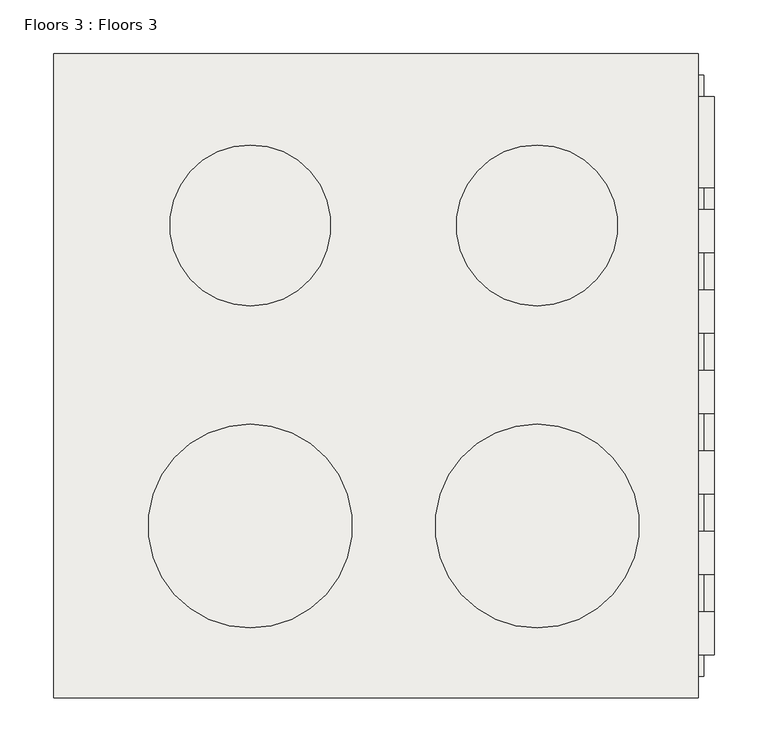
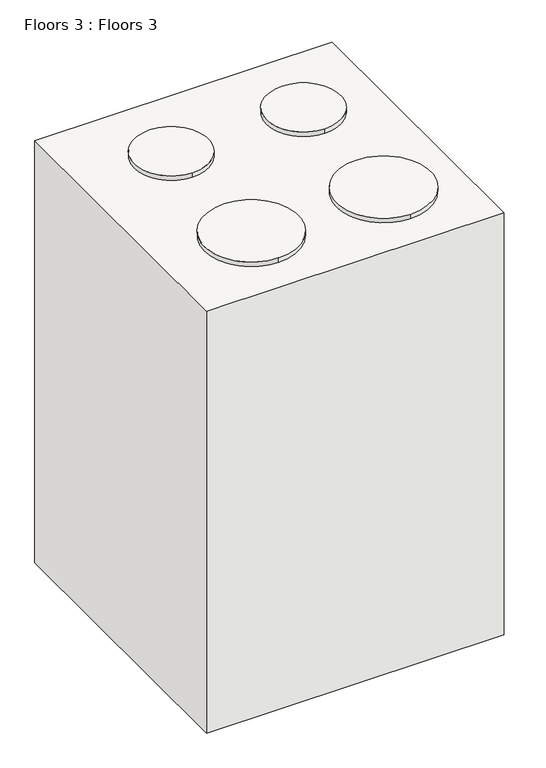
"""IFC4 building model written with IfcOpenShell, lengths in millimetres: slab geometry, Floors 3 : Floors 3."""

import ifcopenshell
import ifcopenshell.guid

model = None  # the IFC model being written
_history = None  # IfcOwnerHistory: only IFC2X3 demands one
_inside = {}  # id of a spatial element -> (the spatial element, [elements in it])
_under = {}  # id of a project, library or spatial element -> (it, [spatial elements below it])
_declared = {}  # id of a project -> (the project, [libraries it declares])
_typed = {}  # id of a type object -> (the type object, [elements of that type])
_made_of = {}  # id of a material, layer set ... -> (it, [elements and type objects made of it])


def new_model(schema):
    """Start an empty IFC model of exactly this schema.

    Asked for "IFC4X3", IfcOpenShell would pick the latest addendum, in which some entities
    have other attributes; the version numbers below select the first issue.
    IFC2X3 requires an IfcOwnerHistory on every rooted entity: one is made here for all.
    """
    global model, _history
    if schema == "IFC4X3":
        model = ifcopenshell.file(schema_version=(4, 3, 0, 0))
    else:
        model = ifcopenshell.file(schema=schema)
    _inside.clear()
    _under.clear()
    _declared.clear()
    _typed.clear()
    _made_of.clear()
    _history = None
    if model.schema == "IFC2X3":
        org = make("IfcOrganization", Name="unknown")
        user = make(
            "IfcPersonAndOrganization",
            ThePerson=make("IfcPerson", FamilyName="unknown"),
            TheOrganization=org,
        )
        app = make(
            "IfcApplication",
            ApplicationDeveloper=org,
            Version="unknown",
            ApplicationFullName="unknown",
            ApplicationIdentifier="unknown",
        )
        _history = make(
            "IfcOwnerHistory",
            OwningUser=user,
            OwningApplication=app,
            ChangeAction="ADDED",
            CreationDate=0,
        )
    return model


def make(cls, **values):
    """One entity of the class cls with the attributes given. An attribute that is None is left unset."""
    return model.create_entity(
        cls, **{name: value for name, value in values.items() if value is not None}
    )


def rooted(cls, **values):
    """An entity with a GlobalId (a new one), such as an element, a storey or a relation."""
    return make(cls, GlobalId=ifcopenshell.guid.new(), OwnerHistory=_history, **values)


def si_unit(unit_type, name, prefix=None):
    """IfcSIUnit, for example si_unit("LENGTHUNIT", "METRE", prefix="MILLI")."""
    return make("IfcSIUnit", UnitType=unit_type, Prefix=prefix, Name=name)


def assignment(units):
    """IfcUnitAssignment: the units of a project."""
    return None if units is None else make("IfcUnitAssignment", Units=units)


def point(xyz):
    """IfcCartesianPoint."""
    return None if xyz is None else make("IfcCartesianPoint", Coordinates=xyz)


def direction(xyz):
    """IfcDirection."""
    return None if xyz is None else make("IfcDirection", DirectionRatios=xyz)


def frame(location, z_axis=None, x_axis=None):
    """IfcAxis2Placement3D, a coordinate frame: its origin and axes. An axis left out is left unset."""
    return make(
        "IfcAxis2Placement3D",
        Location=point(location),
        Axis=direction(z_axis),
        RefDirection=direction(x_axis),
    )


def frame_2d(location, x_axis=None):
    """IfcAxis2Placement2D, a coordinate frame in the plane: its origin and x axis."""
    return make(
        "IfcAxis2Placement2D", Location=point(location), RefDirection=direction(x_axis)
    )


def origin():
    """The frame at (0, 0, 0) with its axes left unset."""
    return frame((0.0, 0.0, 0.0))


def place(relative_to, where):
    """IfcLocalPlacement: puts the frame where relative to a parent placement (None: the world)."""
    return make(
        "IfcLocalPlacement", PlacementRelTo=relative_to, RelativePlacement=where
    )


def context(
    kind, dimensions, precision=None, world=None, true_north=None, identifier=None
):
    """IfcGeometricRepresentationContext, for example the 3D "Model" context."""
    return make(
        "IfcGeometricRepresentationContext",
        ContextIdentifier=identifier,
        ContextType=kind,
        CoordinateSpaceDimension=dimensions,
        Precision=precision,
        WorldCoordinateSystem=world,
        TrueNorth=true_north,
    )


def project(units=None, contexts=None):
    """IfcProject with its units and contexts."""
    return rooted(
        "IfcProject",
        Name="project",
        RepresentationContexts=contexts,
        UnitsInContext=assignment(units),
    )


def spatial(cls, under=None, at=None, **own):
    """A site, building, storey or space (cls), placed at a placement, below another one or the project."""
    s = rooted(cls, ObjectPlacement=at, **own)
    if under is not None:
        _under.setdefault(under.id(), (under, []))[1].append(s)
    return s


def polyline(points):
    """IfcPolyline through the points."""
    return make("IfcPolyline", Points=[point(p) for p in points])


def circle_curve(where, radius):
    """IfcCircle in the frame where."""
    return make("IfcCircle", Position=where, Radius=radius)


def trimmed(basis, trim1, trim2, sense, master):
    """IfcTrimmedCurve: the piece of a basis curve between two trims."""
    return make(
        "IfcTrimmedCurve",
        BasisCurve=basis,
        Trim1=trim1,
        Trim2=trim2,
        SenseAgreement=sense,
        MasterRepresentation=master,
    )


def segment(curve, same_sense, transition):
    """IfcCompositeCurveSegment."""
    return make(
        "IfcCompositeCurveSegment",
        Transition=transition,
        SameSense=same_sense,
        ParentCurve=curve,
    )


def composite_curve(segments, self_intersect=None):
    """IfcCompositeCurve: segments joined end to end."""
    return make("IfcCompositeCurve", Segments=segments, SelfIntersect=self_intersect)


def outline(outer, holes=None, kind="AREA"):
    """IfcArbitraryClosedProfileDef: a profile drawn as a closed curve; with holes, ...WithVoids."""
    if holes is None:
        return make("IfcArbitraryClosedProfileDef", ProfileType=kind, OuterCurve=outer)
    return make(
        "IfcArbitraryProfileDefWithVoids",
        ProfileType=kind,
        OuterCurve=outer,
        InnerCurves=holes,
    )


def extrude(swept, where, along, depth):
    """IfcExtrudedAreaSolid: the profile swept, set in the frame where, extruded along a direction by depth."""
    return make(
        "IfcExtrudedAreaSolid",
        SweptArea=swept,
        Position=where,
        ExtrudedDirection=direction(along),
        Depth=depth,
    )


def faces_of(points, faces, orient=None, outer=None):
    """IfcFace entities. A face is a list of loops; a loop is a list of indices into points, from 0.

    orient and outer hold one flag for each loop. By default every Orientation is true, the
    first loop of a face is its IfcFaceOuterBound and the others are IfcFaceBound.
    """
    made = []
    for i, loops in enumerate(faces):
        bounds = []
        for j, loop in enumerate(loops):
            is_outer = j == 0 if outer is None else outer[i][j]
            bounds.append(
                make(
                    "IfcFaceOuterBound" if is_outer else "IfcFaceBound",
                    Bound=make("IfcPolyLoop", Polygon=[points[k] for k in loop]),
                    Orientation=True if orient is None else orient[i][j],
                )
            )
        made.append(make("IfcFace", Bounds=bounds))
    return made


def faceted_brep(points, faces, orient=None, outer=None, voids=None):
    """IfcFacetedBrep: a solid bounded by flat faces; with voids (closed shells), ...WithVoids."""
    shared = [point(p) for p in points]
    hull = make("IfcClosedShell", CfsFaces=faces_of(shared, faces, orient, outer))
    if voids is None:
        return make("IfcFacetedBrep", Outer=hull)
    return make(
        "IfcFacetedBrepWithVoids",
        Outer=hull,
        Voids=[
            make(cls, CfsFaces=faces_of(shared, fs, o, b)) for cls, fs, o, b in voids
        ],
    )


def shape(context_of_items, identifier, shape_type, items):
    """IfcShapeRepresentation: the items that make up one representation, for example the "Body"."""
    return make(
        "IfcShapeRepresentation",
        ContextOfItems=context_of_items,
        RepresentationIdentifier=identifier,
        RepresentationType=shape_type,
        Items=items,
    )


def source(mapping_origin, context_of_items, identifier, shape_type, items):
    """IfcRepresentationMap: a shape defined once, which mapped items show again and again."""
    return make(
        "IfcRepresentationMap",
        MappingOrigin=mapping_origin,
        MappedRepresentation=shape(context_of_items, identifier, shape_type, items),
    )


def transform(
    local_origin,
    x_axis=None,
    y_axis=None,
    z_axis=None,
    scale=None,
    scale2=None,
    scale3=None,
    uniform=True,
):
    """IfcCartesianTransformationOperator3D, or its non-uniform kind. x_axis, y_axis, z_axis: its Axis1, 2, 3."""
    if uniform:
        return make(
            "IfcCartesianTransformationOperator3D",
            Axis1=direction(x_axis),
            Axis2=direction(y_axis),
            LocalOrigin=point(local_origin),
            Scale=scale,
            Axis3=direction(z_axis),
        )
    return make(
        "IfcCartesianTransformationOperator3DnonUniform",
        Axis1=direction(x_axis),
        Axis2=direction(y_axis),
        LocalOrigin=point(local_origin),
        Scale=scale,
        Axis3=direction(z_axis),
        Scale2=scale2,
        Scale3=scale3,
    )


def mapped(mapping_source, mapping_target):
    """IfcMappedItem: shows the shape of a source again, moved by a transform."""
    return make(
        "IfcMappedItem", MappingSource=mapping_source, MappingTarget=mapping_target
    )


def made_of(thing, what):
    """Note that an element or type object is made of a material, layer set ...; save() writes the relation."""
    if what is not None:
        _made_of.setdefault(what.id(), (what, []))[1].append(thing)
    return thing


def element(
    cls,
    number,
    at=None,
    inside=None,
    cuts=None,
    type_object=None,
    material=None,
    context=None,
    identifier="Body",
    shape_type=None,
    held_by="IfcProductDefinitionShape",
    body=None,
    shapes=None,
    **own,
):
    """One element of the class cls, such as IfcWall. Its Tag is "e" and its number.

    at: its placement. inside: the storey or other place that contains it. cuts: it is an
    opening in that element (IfcRelVoidsElement). A single representation is given by context,
    identifier, shape_type and body (its items); several are given by shapes. held_by: the class
    of the entity that holds the representations. save() writes the other relations.
    """
    e = rooted(cls, Tag="e%d" % number, ObjectPlacement=at, **own)
    if body is not None:
        shapes = [shape(context, identifier, shape_type, body)]
    if shapes is not None:
        e.Representation = make(held_by, Representations=shapes)
    if inside is not None:
        _inside.setdefault(inside.id(), (inside, []))[1].append(e)
    if cuts is not None:
        rooted(
            "IfcRelVoidsElement", RelatingBuildingElement=cuts, RelatedOpeningElement=e
        )
    if type_object is not None:
        _typed.setdefault(type_object.id(), (type_object, []))[1].append(e)
    return made_of(e, material)


def aggregate(whole, parts):
    """IfcRelAggregates: a whole, such as a stair, and the parts it consists of."""
    return rooted("IfcRelAggregates", RelatingObject=whole, RelatedObjects=parts)


def save(model, path):
    """Write the relations noted so far, then the file.

    IfcRelAggregates (storeys below a building ...), IfcRelContainedInSpatialStructure (elements
    in a storey), IfcRelDefinesByType, IfcRelAssociatesMaterial and IfcRelDeclares: one each for
    every whole, place, type object, material and project.
    """
    for whole, parts in _under.values():
        aggregate(whole, parts)
    for where, things in _inside.values():
        rooted(
            "IfcRelContainedInSpatialStructure",
            RelatedElements=things,
            RelatingStructure=where,
        )
    for kind, things in _typed.values():
        rooted("IfcRelDefinesByType", RelatedObjects=things, RelatingType=kind)
    for what, things in _made_of.values():
        rooted("IfcRelAssociatesMaterial", RelatedObjects=things, RelatingMaterial=what)
    for by, libraries in _declared.values():
        rooted("IfcRelDeclares", RelatingContext=by, RelatedDefinitions=libraries)
    model.write(path)


def floors_3_floors_3_e064350d(model_context):
    return source(origin(), model_context, "Body", "SolidModel", [
        faceted_brep([(-44763.0065372, 47434.2785806, 109195.0), (-45363.0065372, 47434.2785806, 109195.0), (-45363.0065372, 47434.2785806, 108295.0), (-44763.0065372, 47434.2785806, 108295.0), (-44763.0065372, 48034.2785806, 109195.0), (-44763.0065372, 48034.2785806, 108295.0), (-45363.0065372, 48034.2785806, 108295.0), (-45363.0065372, 48034.2785806, 109195.0), (-44763.0065372, 48014.2785806, 109039.0), (-44763.0065372, 48014.2785806, 108759.0), (-44763.0065372, 47454.2785806, 108759.0), (-44763.0065372, 47454.2785806, 109039.0), (-44763.0065372, 48014.2785806, 108739.0), (-44763.0065372, 48014.2785806, 108315.0), (-44763.0065372, 47454.2785806, 108315.0), (-44763.0065372, 47454.2785806, 108739.0), (-45330.0065372, 48014.2785806, 109039.0), (-45330.0065372, 47454.2785806, 109039.0), (-45330.0065372, 47454.2785806, 108759.0), (-45330.0065372, 48014.2785806, 108759.0), (-45330.0065372, 48014.2785806, 108739.0), (-45330.0065372, 47454.2785806, 108739.0), (-45330.0065372, 47454.2785806, 108315.0), (-45330.0065372, 48014.2785806, 108315.0)], [[[0, 1, 2, 3]], [[4, 5, 6, 7]], [[1, 0, 4, 7]], [[2, 1, 7, 6]], [[3, 2, 6, 5]], [[0, 3, 5, 4], [8, 9, 10, 11], [12, 13, 14, 15]], [[16, 17, 18, 19]], [[20, 21, 22, 23]], [[16, 19, 9, 8]], [[19, 18, 10, 9]], [[18, 17, 11, 10]], [[17, 16, 8, 11]], [[20, 23, 13, 12]], [[23, 22, 14, 13]], [[22, 21, 15, 14]], [[21, 20, 12, 15]]]),
        extrude(outline(composite_curve([segment(trimmed(circle_curve(frame_2d((-45180.0065372, 47594.2785806)), 95.0), [point((-45180.0065372, 47499.2785806))], [point((-45180.0065372, 47689.2785806))], False, "CARTESIAN"), True, "CONTINUOUS"), segment(trimmed(circle_curve(frame_2d((-45180.0065372, 47594.2785806)), 95.0), [point((-45180.0065372, 47689.2785806))], [point((-45180.0065372, 47499.2785806))], False, "CARTESIAN"), True, "CONTINUOUS")], self_intersect=False)), frame((0.0, 0.0, 109195.0), z_axis=(0.0, 0.0, 1.0), x_axis=(1.0, 0.0, 0.0)), (0.0, 0.0, 1.0), 10.0),
        extrude(outline(composite_curve([segment(trimmed(circle_curve(frame_2d((-45180.0065372, 47874.2785806)), 75.0), [point((-45180.0065372, 47799.2785806))], [point((-45180.0065372, 47949.2785806))], False, "CARTESIAN"), True, "CONTINUOUS"), segment(trimmed(circle_curve(frame_2d((-45180.0065372, 47874.2785806)), 75.0), [point((-45180.0065372, 47949.2785806))], [point((-45180.0065372, 47799.2785806))], False, "CARTESIAN"), True, "CONTINUOUS")], self_intersect=False)), frame((0.0, 0.0, 109195.0), z_axis=(0.0, 0.0, 1.0), x_axis=(1.0, 0.0, 0.0)), (0.0, 0.0, 1.0), 10.0),
        extrude(outline(composite_curve([segment(trimmed(circle_curve(frame_2d((-44913.0065372, 47874.2785806)), 75.0), [point((-44913.0065372, 47799.2785806))], [point((-44913.0065372, 47949.2785806))], False, "CARTESIAN"), True, "CONTINUOUS"), segment(trimmed(circle_curve(frame_2d((-44913.0065372, 47874.2785806)), 75.0), [point((-44913.0065372, 47949.2785806))], [point((-44913.0065372, 47799.2785806))], False, "CARTESIAN"), True, "CONTINUOUS")], self_intersect=False)), frame((0.0, 0.0, 109195.0), z_axis=(0.0, 0.0, 1.0), x_axis=(1.0, 0.0, 0.0)), (0.0, 0.0, 1.0), 10.0),
        extrude(outline(composite_curve([segment(trimmed(circle_curve(frame_2d((-44913.0065372, 47594.2785806)), 95.0), [point((-44913.0065372, 47499.2785806))], [point((-44913.0065372, 47689.2785806))], False, "CARTESIAN"), True, "CONTINUOUS"), segment(trimmed(circle_curve(frame_2d((-44913.0065372, 47594.2785806)), 95.0), [point((-44913.0065372, 47689.2785806))], [point((-44913.0065372, 47499.2785806))], False, "CARTESIAN"), True, "CONTINUOUS")], self_intersect=False)), frame((0.0, 0.0, 109195.0), z_axis=(0.0, 0.0, 1.0), x_axis=(1.0, 0.0, 0.0)), (0.0, 0.0, 1.0), 10.0),
        extrude(outline(polyline([(48014.2785806, 109039.0), (48014.2785806, 108759.0), (47454.2785806, 108759.0), (47454.2785806, 109039.0), (48014.2785806, 109039.0)]), holes=[composite_curve([segment(polyline([(47474.2785806, 108959.0), (47474.2785806, 108798.6090566)]), True, "CONTINUOUS"), segment(trimmed(circle_curve(frame_2d((47734.2785806, 110392.5428697)), 1615.0000001), [point((47474.2785806, 108798.6090566))], [point((47994.2785806, 108798.6090566))], True, "CARTESIAN"), True, "CONTINUOUS"), segment(polyline([(47994.2785806, 108798.6090566), (47994.2785806, 108959.0)]), True, "CONTINUOUS"), segment(trimmed(circle_curve(frame_2d((47734.2785806, 107365.1831896)), 1614.8845237), [point((47994.2785806, 108959.0))], [point((47474.2785806, 108959.0))], True, "CARTESIAN"), True, "CONTINUOUS")], self_intersect=False)]), frame((-44763.0065372, 0.0, 0.0), z_axis=(1.0, 0.0, 0.0), x_axis=(0.0, 1.0, 0.0)), (0.0, 0.0, 1.0), 5.0),
        extrude(outline(polyline([(47454.2785806, 108739.0), (48014.2785806, 108739.0), (48014.2785806, 108315.0), (47454.2785806, 108315.0), (47454.2785806, 108739.0)]), holes=[composite_curve([segment(polyline([(47474.2785806, 108657.8798754), (47474.2785806, 108430.3289393)]), True, "CONTINUOUS"), segment(trimmed(circle_curve(frame_2d((47734.2785806, 109874.9102153)), 1467.7925818), [point((47474.2785806, 108430.3289393))], [point((47994.2785806, 108430.3289393))], True, "CARTESIAN"), True, "CONTINUOUS"), segment(polyline([(47994.2785806, 108430.3289393), (47994.2785806, 108657.8798754)]), True, "CONTINUOUS"), segment(trimmed(circle_curve(frame_2d((47734.2785806, 107064.063065)), 1614.8845237), [point((47994.2785806, 108657.8798754))], [point((47474.2785806, 108657.8798754))], True, "CARTESIAN"), True, "CONTINUOUS")], self_intersect=False)]), frame((-44763.0065372, 0.0, 0.0), z_axis=(1.0, 0.0, 0.0), x_axis=(0.0, 1.0, 0.0)), (0.0, 0.0, 1.0), 5.0),
        extrude(outline(polyline([(-44748.0065372, 47974.2785806), (-44748.0065372, 47494.1672763), (-44763.0065372, 47494.1672763), (-44763.0065372, 47974.2785806), (-44748.0065372, 47974.2785806)])), frame((0.0, 0.0, 108999.0), z_axis=(0.0, 0.0, 1.0), x_axis=(1.0, 0.0, 0.0)), (0.0, 0.0, 1.0), 20.0),
        extrude(outline(polyline([(-44748.0065372, 47974.2785806), (-44748.0065372, 47494.1672763), (-44763.0065372, 47494.1672763), (-44763.0065372, 47974.2785806), (-44748.0065372, 47974.2785806)])), frame((0.0, 0.0, 108697.8798754), z_axis=(0.0, 0.0, 1.0), x_axis=(1.0, 0.0, 0.0)), (0.0, 0.0, 1.0), 20.0),
        extrude(outline(polyline([(-44748.0065372, 47994.2785806), (-44748.0065372, 47909.2785806), (-44763.0065372, 47909.2785806), (-44763.0065372, 47994.2785806), (-44748.0065372, 47994.2785806)])), frame((0.0, 0.0, 109136.7423922), z_axis=(0.0, 0.0, 1.0), x_axis=(1.0, 0.0, 0.0)), (0.0, 0.0, 1.0), 25.0),
        extrude(outline(composite_curve([segment(trimmed(circle_curve(frame_2d((47494.1672763, 109111.7954925)), 20.0), [point((47474.1672763, 109111.7954925))], [point((47514.1672763, 109111.7954925))], False, "CARTESIAN"), True, "CONTINUOUS"), segment(trimmed(circle_curve(frame_2d((47494.1672763, 109111.7954925)), 20.0), [point((47514.1672763, 109111.7954925))], [point((47474.1672763, 109111.7954925))], False, "CARTESIAN"), True, "CONTINUOUS")], self_intersect=False)), frame((-44763.0065372, 0.0, 0.0), z_axis=(1.0, 0.0, 0.0), x_axis=(0.0, 1.0, 0.0)), (0.0, 0.0, 1.0), 15.0),
        extrude(outline(composite_curve([segment(trimmed(circle_curve(frame_2d((47569.1672763, 109111.7954925)), 20.0), [point((47549.1672763, 109111.7954925))], [point((47589.1672763, 109111.7954925))], False, "CARTESIAN"), True, "CONTINUOUS"), segment(trimmed(circle_curve(frame_2d((47569.1672763, 109111.7954925)), 20.0), [point((47589.1672763, 109111.7954925))], [point((47549.1672763, 109111.7954925))], False, "CARTESIAN"), True, "CONTINUOUS")], self_intersect=False)), frame((-44763.0065372, 0.0, 0.0), z_axis=(1.0, 0.0, 0.0), x_axis=(0.0, 1.0, 0.0)), (0.0, 0.0, 1.0), 15.0),
        extrude(outline(composite_curve([segment(trimmed(circle_curve(frame_2d((47644.1672763, 109111.7954925)), 20.0), [point((47624.1672763, 109111.7954925))], [point((47664.1672763, 109111.7954925))], False, "CARTESIAN"), True, "CONTINUOUS"), segment(trimmed(circle_curve(frame_2d((47644.1672763, 109111.7954925)), 20.0), [point((47664.1672763, 109111.7954925))], [point((47624.1672763, 109111.7954925))], False, "CARTESIAN"), True, "CONTINUOUS")], self_intersect=False)), frame((-44763.0065372, 0.0, 0.0), z_axis=(1.0, 0.0, 0.0), x_axis=(0.0, 1.0, 0.0)), (0.0, 0.0, 1.0), 15.0),
        extrude(outline(composite_curve([segment(trimmed(circle_curve(frame_2d((47719.1672763, 109111.7954925)), 20.0), [point((47699.1672763, 109111.7954925))], [point((47739.1672763, 109111.7954925))], False, "CARTESIAN"), True, "CONTINUOUS"), segment(trimmed(circle_curve(frame_2d((47719.1672763, 109111.7954925)), 20.0), [point((47739.1672763, 109111.7954925))], [point((47699.1672763, 109111.7954925))], False, "CARTESIAN"), True, "CONTINUOUS")], self_intersect=False)), frame((-44763.0065372, 0.0, 0.0), z_axis=(1.0, 0.0, 0.0), x_axis=(0.0, 1.0, 0.0)), (0.0, 0.0, 1.0), 15.0),
        extrude(outline(composite_curve([segment(trimmed(circle_curve(frame_2d((47794.1672763, 109111.7954925)), 20.0), [point((47774.1672763, 109111.7954925))], [point((47814.1672763, 109111.7954925))], False, "CARTESIAN"), True, "CONTINUOUS"), segment(trimmed(circle_curve(frame_2d((47794.1672763, 109111.7954925)), 20.0), [point((47814.1672763, 109111.7954925))], [point((47774.1672763, 109111.7954925))], False, "CARTESIAN"), True, "CONTINUOUS")], self_intersect=False)), frame((-44763.0065372, 0.0, 0.0), z_axis=(1.0, 0.0, 0.0), x_axis=(0.0, 1.0, 0.0)), (0.0, 0.0, 1.0), 15.0),
        extrude(outline(composite_curve([segment(trimmed(circle_curve(frame_2d((47869.1672763, 109111.7954925)), 20.0), [point((47849.1672763, 109111.7954925))], [point((47889.1672763, 109111.7954925))], False, "CARTESIAN"), True, "CONTINUOUS"), segment(trimmed(circle_curve(frame_2d((47869.1672763, 109111.7954925)), 20.0), [point((47889.1672763, 109111.7954925))], [point((47849.1672763, 109111.7954925))], False, "CARTESIAN"), True, "CONTINUOUS")], self_intersect=False)), frame((-44763.0065372, 0.0, 0.0), z_axis=(1.0, 0.0, 0.0), x_axis=(0.0, 1.0, 0.0)), (0.0, 0.0, 1.0), 15.0),
    ])


if __name__ == "__main__":
    model = new_model("IFC4")
    model_context = context("Model", 3, world=origin())
    ifc_project = project(units=[si_unit("LENGTHUNIT", "METRE", prefix="MILLI")], contexts=[model_context])
    site = spatial("IfcSite", under=ifc_project)
    building = spatial("IfcBuilding", under=site)
    placement = place(None, origin())
    floors_3_floors_3_shape = floors_3_floors_3_e064350d(model_context)
    element("IfcSlab", 1, ObjectType="Floors 3 : Floors 3", at=placement, inside=building, context=model_context, shape_type="MappedRepresentation", body=[
        mapped(floors_3_floors_3_shape, transform((0.0, 0.0, 0.0), x_axis=(1.0, 0.0, 0.0), y_axis=(0.0, 1.0, 0.0), z_axis=(0.0, 0.0, 1.0))),
    ])
    save(model, "model.ifc")
